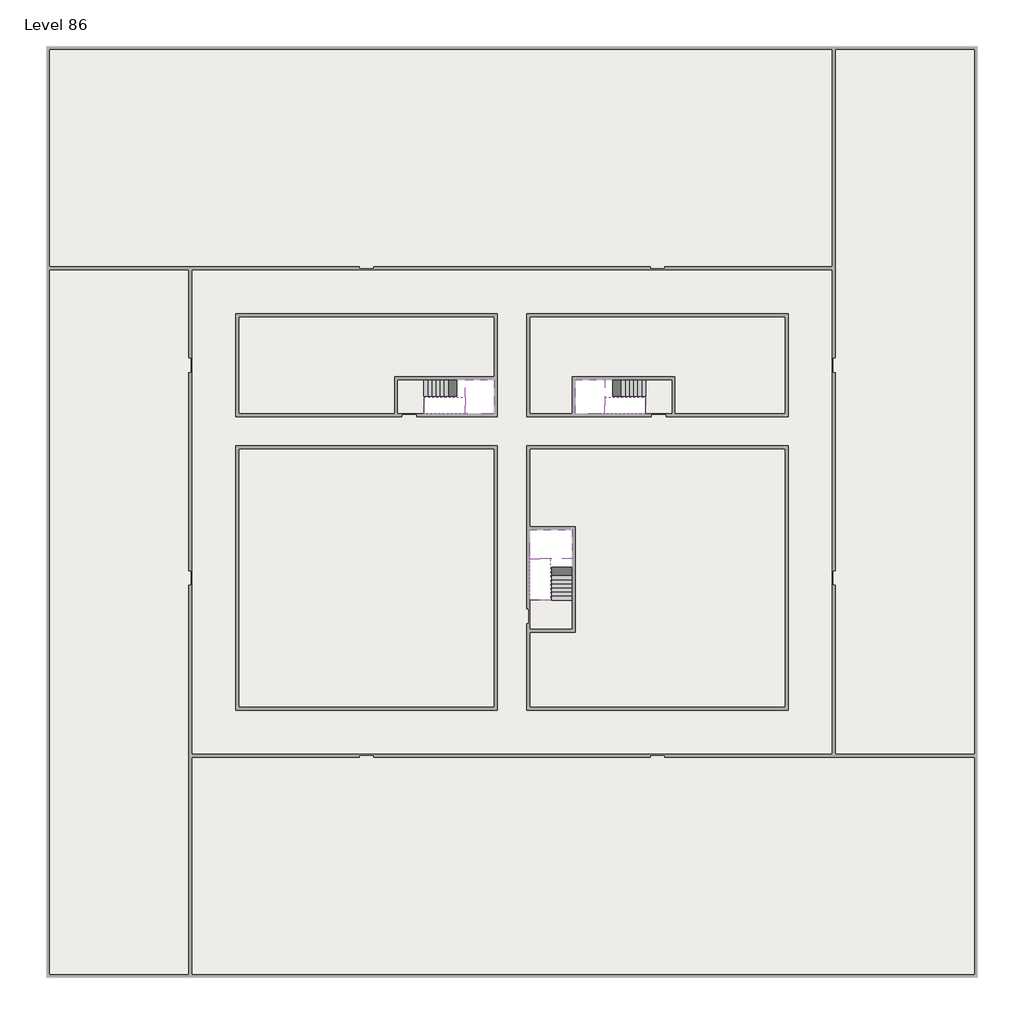
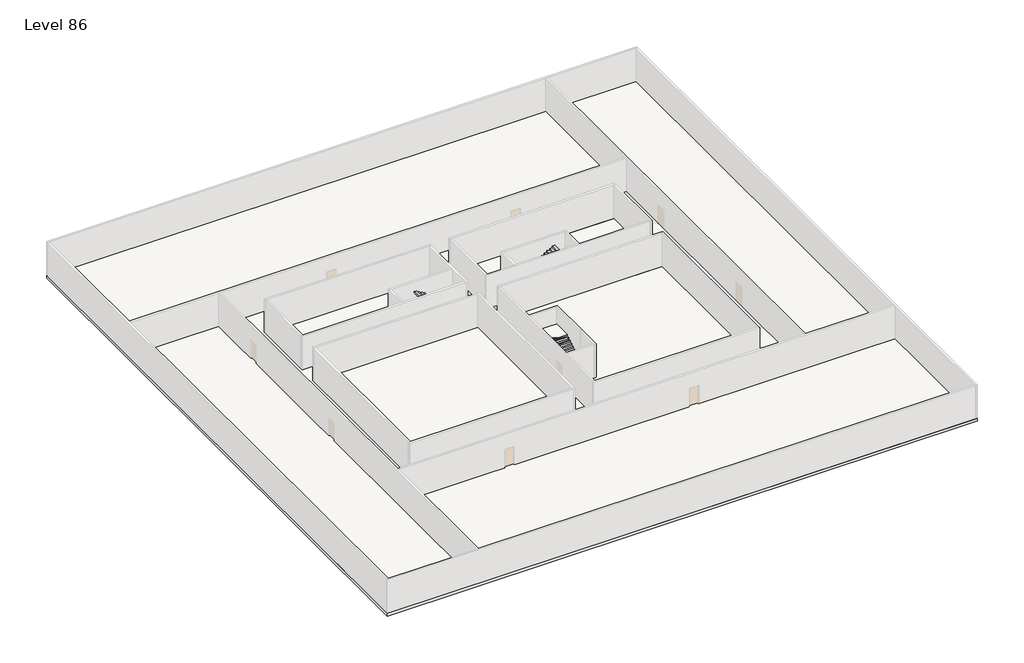
# One storey, part 2 of 2: 6 slabs, 6 stair flights.
"""IFC4 building model written with IfcOpenShell, lengths in millimetres."""

from ifc_helpers import new_model, si_unit, frame, origin, place, context, project, spatial, polyline, outline, extrude, faceted_brep, element, save

model = new_model("IFC4")

# Units and contexts
model_context = context("Model", 3, world=origin())
ifc_project = project(units=[si_unit("LENGTHUNIT", "METRE", prefix="MILLI")], contexts=[model_context])

# Site, building, storey
site = spatial("IfcSite", under=ifc_project)
building = spatial("IfcBuilding", under=site)
storey = spatial("IfcBuildingStorey", under=building, Name="Level 86", Elevation=323000.0)

# Slabs
placement = place(None, origin())
element("IfcSlab", 1, at=placement, inside=storey, context=model_context, shape_type="SweptSolid", body=[
    extrude(outline(polyline([(55890.1058784, -5518.09644), (55890.1058784, -68918.09644), (-7509.8941216, -68918.09644), (-7509.8941216, -5518.09644), (55890.1058784, -5518.09644)]), holes=[polyline([(22990.1058784, -23918.09644), (5590.1058784, -23918.09644), (5590.1058784, -30518.09644), (22990.1058784, -30518.09644), (22990.1058784, -23918.09644)]), polyline([(42990.1058784, -23918.09644), (25390.1058784, -23918.09644), (25390.1058784, -30518.09644), (42990.1058784, -30518.09644), (42990.1058784, -23918.09644)]), polyline([(25390.1058784, -50518.09644), (42790.1058784, -50518.09644), (42790.1058784, -32918.09644), (25390.1058784, -32918.09644), (25390.1058784, -50518.09644)]), polyline([(22990.1058784, -32918.09644), (5590.1058784, -32918.09644), (5590.1058784, -50518.09644), (22990.1058784, -50518.09644), (22990.1058784, -32918.09644)])]), frame((0.0, 0.0, 322700.0), z_axis=(0.0, 0.0, 1.0), x_axis=(1.0, 0.0, 0.0)), (0.0, 0.0, 1.0), 300.0),
])
element("IfcSlab", 2, at=placement, inside=storey, context=model_context, shape_type="SweptSolid", body=[
    extrude(outline(polyline([(22990.1058784, -23918.09644), (22990.1058784, -28018.09644), (16190.1058784, -28018.09644), (16190.1058784, -30518.09644), (5590.1058784, -30518.09644), (5590.1058784, -23918.09644), (22990.1058784, -23918.09644)])), frame((0.0, 0.0, 322700.0), z_axis=(0.0, 0.0, 1.0), x_axis=(1.0, 0.0, 0.0)), (0.0, 0.0, 1.0), 300.0),
    extrude(outline(polyline([(42790.1058784, -23918.09644), (42790.1058784, -30518.09644), (35290.1058784, -30518.09644), (35290.1058784, -28018.09644), (28490.1058784, -28018.09644), (28490.1058784, -30518.09644), (25390.1058784, -30518.09644), (25390.1058784, -23918.09644), (42790.1058784, -23918.09644)])), frame((0.0, 0.0, 322700.0), z_axis=(0.0, 0.0, 1.0), x_axis=(1.0, 0.0, 0.0)), (0.0, 0.0, 1.0), 300.0),
    extrude(outline(polyline([(22990.1058784, -32918.09644), (22990.1058784, -50518.09644), (5590.1058784, -50518.09644), (5590.1058784, -32918.09644), (22990.1058784, -32918.09644)])), frame((0.0, 0.0, 322700.0), z_axis=(0.0, 0.0, 1.0), x_axis=(1.0, 0.0, 0.0)), (0.0, 0.0, 1.0), 300.0),
    extrude(outline(polyline([(25390.1058784, -38218.09644), (25390.1058784, -32918.09644), (42790.1058784, -32918.09644), (42790.1058784, -50518.09644), (25390.1058784, -50518.09644), (25390.1058784, -45418.09644), (28490.1058784, -45418.09644), (28490.1058784, -38218.09644), (25390.1058784, -38218.09644)])), frame((0.0, 0.0, 322700.0), z_axis=(0.0, 0.0, 1.0), x_axis=(1.0, 0.0, 0.0)), (0.0, 0.0, 1.0), 300.0),
])
element("IfcSlab", 3, at=placement, inside=storey, context=model_context, shape_type="Brep", body=[
    faceted_brep([(26890.1058784, -40418.09644, 324900.0), (28290.1058784, -40418.09644, 324900.0), (28290.1058784, -40338.7100038, 324900.0), (28290.1058784, -38418.09644, 324900.0), (25390.1058784, -38418.09644, 324900.0), (25390.1058784, -40217.4828763, 324900.0), (25390.1058784, -40418.09644, 324900.0), (26790.1058784, -40418.09644, 324900.0), (26890.1058784, -40418.09644, 324600.0), (26890.1058784, -40418.09644, 324551.0278478), (28290.1058784, -40418.09644, 324551.0278478), (28290.1058784, -40418.09644, 324727.2727273), (28290.1058784, -40338.7100038, 324600.0), (28290.1058784, -38418.09644, 324600.0), (25390.1058784, -38418.09644, 324600.0), (25390.1058784, -40217.4828763, 324600.0), (25390.1058784, -40418.09644, 324723.7551205), (26790.1058784, -40418.09644, 324723.7551205), (26790.1058784, -40418.09644, 324600.0), (26790.1058784, -40217.4828763, 324600.0), (26890.1058784, -40338.7100038, 324600.0)], [[[0, 1, 2, 3, 4, 5, 6, 7]], [[1, 0, 8, 9, 10, 11]], [[1, 11, 10, 12, 13, 3, 2]], [[4, 3, 13, 14]], [[4, 14, 15, 16, 6, 5]], [[7, 6, 16, 17]], [[0, 7, 17, 18, 8]], [[18, 19, 15, 14, 13, 12, 20, 8]], [[19, 18, 17]], [[20, 12, 10, 9]], [[8, 20, 9]], [[15, 19, 17, 16]]]),
])
element("IfcSlab", 4, at=placement, inside=storey, context=model_context, shape_type="Brep", body=[
    faceted_brep([(20990.1058784, -28218.09644, 324900.0), (20990.1058784, -29318.09644, 324900.0), (20990.1058784, -29418.09644, 324900.0), (20990.1058784, -30518.09644, 324900.0), (21190.7194421, -30518.09644, 324900.0), (22990.1058784, -30518.09644, 324900.0), (22990.1058784, -28218.09644, 324900.0), (21069.4923146, -28218.09644, 324900.0), (20990.1058784, -28218.09644, 324727.2727273), (20990.1058784, -28218.09644, 324551.0278478), (20990.1058784, -29318.09644, 324551.0278478), (20990.1058784, -29318.09644, 324600.0), (20990.1058784, -29418.09644, 324600.0), (20990.1058784, -29418.09644, 324723.7551205), (20990.1058784, -30518.09644, 324723.7551205), (21190.7194421, -30518.09644, 324600.0), (22990.1058784, -30518.09644, 324600.0), (22990.1058784, -28218.09644, 324600.0), (21069.4923146, -28218.09644, 324600.0), (21190.7194421, -29418.09644, 324600.0), (21069.4923146, -29318.09644, 324600.0)], [[[0, 1, 2, 3, 4, 5, 6, 7]], [[1, 0, 8, 9, 10, 11]], [[2, 1, 11, 12, 13]], [[3, 2, 13, 14]], [[3, 14, 15, 16, 5, 4]], [[6, 5, 16, 17]], [[9, 8, 0, 7, 6, 17, 18]], [[19, 12, 11, 20, 18, 17, 16, 15]], [[12, 19, 13]], [[18, 20, 10, 9]], [[20, 11, 10]], [[19, 15, 14, 13]]]),
])
element("IfcSlab", 5, at=placement, inside=storey, context=model_context, shape_type="Brep", body=[
    faceted_brep([(30490.1058784, -29318.09644, 324900.0), (30490.1058784, -28218.09644, 324900.0), (30410.7194421, -28218.09644, 324900.0), (28490.1058784, -28218.09644, 324900.0), (28490.1058784, -30518.09644, 324900.0), (30289.4923146, -30518.09644, 324900.0), (30490.1058784, -30518.09644, 324900.0), (30490.1058784, -29418.09644, 324900.0), (30490.1058784, -29318.09644, 324600.0), (30490.1058784, -29318.09644, 324551.0278478), (30490.1058784, -28218.09644, 324551.0278478), (30490.1058784, -28218.09644, 324727.2727273), (30490.1058784, -29418.09644, 324723.7551205), (30490.1058784, -29418.09644, 324600.0), (30490.1058784, -30518.09644, 324723.7551205), (28490.1058784, -30518.09644, 324600.0), (30289.4923146, -30518.09644, 324600.0), (28490.1058784, -28218.09644, 324600.0), (30410.7194421, -28218.09644, 324600.0), (30289.4923146, -29418.09644, 324600.0), (30410.7194421, -29318.09644, 324600.0)], [[[0, 1, 2, 3, 4, 5, 6, 7]], [[1, 0, 8, 9, 10, 11]], [[0, 7, 12, 13, 8]], [[7, 6, 14, 12]], [[4, 15, 16, 14, 6, 5]], [[4, 3, 17, 15]], [[1, 11, 10, 18, 17, 3, 2]], [[13, 19, 16, 15, 17, 18, 20, 8]], [[20, 18, 10, 9]], [[8, 20, 9]], [[16, 19, 12, 14]], [[19, 13, 12]]]),
])
element("IfcSlab", 6, at=placement, inside=storey, context=model_context, shape_type="SweptSolid", body=[
    extrude(outline(polyline([(35090.1058784, -28218.09644), (35090.1058784, -30518.09644), (33290.1058784, -30518.09644), (33290.1058784, -28218.09644), (35090.1058784, -28218.09644)])), frame((0.0, 0.0, 322700.0), z_axis=(0.0, 0.0, 1.0), x_axis=(1.0, 0.0, 0.0)), (0.0, 0.0, 1.0), 300.0),
    extrude(outline(polyline([(18190.1058784, -28218.09644), (18190.1058784, -30518.09644), (16390.1058784, -30518.09644), (16390.1058784, -28218.09644), (18190.1058784, -28218.09644)])), frame((0.0, 0.0, 322700.0), z_axis=(0.0, 0.0, 1.0), x_axis=(1.0, 0.0, 0.0)), (0.0, 0.0, 1.0), 300.0),
    extrude(outline(polyline([(28290.1058784, -43218.09644), (28290.1058784, -45218.09644), (25390.1058784, -45218.09644), (25390.1058784, -43218.09644), (28290.1058784, -43218.09644)])), frame((0.0, 0.0, 322700.0), z_axis=(0.0, 0.0, 1.0), x_axis=(1.0, 0.0, 0.0)), (0.0, 0.0, 1.0), 300.0),
])

# Stair flights
element("IfcStairFlight", 7, at=placement, inside=storey, context=model_context, shape_type="Brep", body=[
    faceted_brep([(26890.1058784, -42938.09644, 323172.7272727), (26890.1058784, -43218.09644, 323172.7272727), (28290.1058784, -43218.09644, 323172.7272727), (28290.1058784, -42938.09644, 323172.7272727), (26890.1058784, -42938.09644, 323000.0), (26890.1058784, -43218.09644, 323000.0), (28290.1058784, -43218.09644, 323000.0), (28290.1058784, -42938.09644, 323000.0), (26890.1058784, -42658.09644, 323345.4545455), (26890.1058784, -42938.09644, 323345.4545455), (28290.1058784, -42938.09644, 323345.4545455), (28290.1058784, -42658.09644, 323345.4545455), (26890.1058784, -42658.09644, 323169.209666), (26890.1058784, -42932.3942143, 323000.0), (28290.1058784, -42932.3942143, 323000.0), (28290.1058784, -42658.09644, 323169.209666), (26890.1058784, -42378.09644, 323518.1818182), (26890.1058784, -42658.09644, 323518.1818182), (28290.1058784, -42658.09644, 323518.1818182), (28290.1058784, -42378.09644, 323518.1818182), (26890.1058784, -42378.09644, 323341.9369387), (28290.1058784, -42378.09644, 323341.9369387), (26890.1058784, -42098.09644, 323690.9090909), (26890.1058784, -42378.09644, 323690.9090909), (28290.1058784, -42378.09644, 323690.9090909), (28290.1058784, -42098.09644, 323690.9090909), (26890.1058784, -42098.09644, 323514.6642114), (28290.1058784, -42098.09644, 323514.6642114), (26890.1058784, -41818.09644, 323863.6363636), (26890.1058784, -42098.09644, 323863.6363636), (28290.1058784, -42098.09644, 323863.6363636), (28290.1058784, -41818.09644, 323863.6363636), (26890.1058784, -41818.09644, 323687.3914841), (28290.1058784, -41818.09644, 323687.3914841), (26890.1058784, -41538.09644, 324036.3636364), (26890.1058784, -41818.09644, 324036.3636364), (28290.1058784, -41818.09644, 324036.3636364), (28290.1058784, -41538.09644, 324036.3636364), (26890.1058784, -41538.09644, 323860.1187569), (28290.1058784, -41538.09644, 323860.1187569), (26890.1058784, -41258.09644, 324209.0909091), (26890.1058784, -41538.09644, 324209.0909091), (28290.1058784, -41538.09644, 324209.0909091), (28290.1058784, -41258.09644, 324209.0909091), (26890.1058784, -41258.09644, 324032.8460296), (28290.1058784, -41258.09644, 324032.8460296), (26890.1058784, -40978.09644, 324381.8181818), (26890.1058784, -41258.09644, 324381.8181818), (28290.1058784, -41258.09644, 324381.8181818), (28290.1058784, -40978.09644, 324381.8181818), (26890.1058784, -40978.09644, 324205.5733023), (28290.1058784, -40978.09644, 324205.5733023), (26890.1058784, -40698.09644, 324554.5454545), (26890.1058784, -40978.09644, 324554.5454545), (28290.1058784, -40978.09644, 324554.5454545), (28290.1058784, -40698.09644, 324554.5454545), (26890.1058784, -40698.09644, 324378.3005751), (28290.1058784, -40698.09644, 324378.3005751), (26890.1058784, -40418.09644, 324727.2727273), (26890.1058784, -40698.09644, 324727.2727273), (28290.1058784, -40698.09644, 324727.2727273), (28290.1058784, -40418.09644, 324727.2727273), (26890.1058784, -40418.09644, 324600.0), (26890.1058784, -40418.09644, 324551.0278478), (28290.1058784, -40418.09644, 324551.0278478)], [[[0, 1, 2, 3]], [[1, 0, 4, 5]], [[2, 1, 5, 6]], [[3, 2, 6, 7]], [[8, 9, 10, 11]], [[4, 0, 9, 8, 12, 13]], [[0, 3, 10, 9]], [[3, 7, 14, 15, 11, 10]], [[16, 17, 18, 19]], [[17, 16, 20, 12, 8]], [[8, 11, 18, 17]], [[19, 18, 11, 15, 21]], [[22, 23, 24, 25]], [[23, 22, 26, 20, 16]], [[16, 19, 24, 23]], [[25, 24, 19, 21, 27]], [[28, 29, 30, 31]], [[29, 28, 32, 26, 22]], [[22, 25, 30, 29]], [[31, 30, 25, 27, 33]], [[34, 35, 36, 37]], [[35, 34, 38, 32, 28]], [[28, 31, 36, 35]], [[37, 36, 31, 33, 39]], [[40, 41, 42, 43]], [[41, 40, 44, 38, 34]], [[34, 37, 42, 41]], [[43, 42, 37, 39, 45]], [[46, 47, 48, 49]], [[47, 46, 50, 44, 40]], [[40, 43, 48, 47]], [[49, 48, 43, 45, 51]], [[52, 53, 54, 55]], [[53, 52, 56, 50, 46]], [[46, 49, 54, 53]], [[55, 54, 49, 51, 57]], [[58, 59, 60, 61]], [[59, 58, 62, 63, 56, 52]], [[52, 55, 60, 59]], [[61, 60, 55, 57, 64]], [[58, 61, 64, 63, 62]], [[5, 4, 13, 14, 7, 6]], [[14, 13, 12, 20, 26, 32, 38, 44, 50, 56, 63, 64, 57, 51, 45, 39, 33, 27, 21, 15]]]),
])
element("IfcStairFlight", 8, at=placement, inside=storey, context=model_context, shape_type="Brep", body=[
    faceted_brep([(26790.1058784, -40698.09644, 325072.7272727), (26790.1058784, -40418.09644, 325072.7272727), (25390.1058784, -40418.09644, 325072.7272727), (25390.1058784, -40698.09644, 325072.7272727), (26790.1058784, -40698.09644, 324896.4823932), (26790.1058784, -40418.09644, 324723.7551205), (25390.1058784, -40418.09644, 324723.7551205), (25390.1058784, -40418.09644, 324900.0), (25390.1058784, -40698.09644, 324896.4823932), (26790.1058784, -40978.09644, 325245.4545455), (26790.1058784, -40698.09644, 325245.4545455), (25390.1058784, -40698.09644, 325245.4545455), (25390.1058784, -40978.09644, 325245.4545455), (26790.1058784, -40978.09644, 325069.209666), (25390.1058784, -40978.09644, 325069.209666), (26790.1058784, -41258.09644, 325418.1818182), (26790.1058784, -40978.09644, 325418.1818182), (25390.1058784, -40978.09644, 325418.1818182), (25390.1058784, -41258.09644, 325418.1818182), (26790.1058784, -41258.09644, 325241.9369387), (25390.1058784, -41258.09644, 325241.9369387), (26790.1058784, -41538.09644, 325590.9090909), (26790.1058784, -41258.09644, 325590.9090909), (25390.1058784, -41258.09644, 325590.9090909), (25390.1058784, -41538.09644, 325590.9090909), (26790.1058784, -41538.09644, 325414.6642114), (25390.1058784, -41538.09644, 325414.6642114), (26790.1058784, -41818.09644, 325763.6363636), (26790.1058784, -41538.09644, 325763.6363636), (25390.1058784, -41538.09644, 325763.6363636), (25390.1058784, -41818.09644, 325763.6363636), (26790.1058784, -41818.09644, 325587.3914841), (25390.1058784, -41818.09644, 325587.3914841), (26790.1058784, -42098.09644, 325936.3636364), (26790.1058784, -41818.09644, 325936.3636364), (25390.1058784, -41818.09644, 325936.3636364), (25390.1058784, -42098.09644, 325936.3636364), (26790.1058784, -42098.09644, 325760.1187569), (25390.1058784, -42098.09644, 325760.1187569), (26790.1058784, -42378.09644, 326109.0909091), (26790.1058784, -42098.09644, 326109.0909091), (25390.1058784, -42098.09644, 326109.0909091), (25390.1058784, -42378.09644, 326109.0909091), (26790.1058784, -42378.09644, 325932.8460296), (25390.1058784, -42378.09644, 325932.8460296), (26790.1058784, -42658.09644, 326281.8181818), (26790.1058784, -42378.09644, 326281.8181818), (25390.1058784, -42378.09644, 326281.8181818), (25390.1058784, -42658.09644, 326281.8181818), (26790.1058784, -42658.09644, 326105.5733023), (25390.1058784, -42658.09644, 326105.5733023), (26790.1058784, -42938.09644, 326454.5454545), (26790.1058784, -42658.09644, 326454.5454545), (25390.1058784, -42658.09644, 326454.5454545), (25390.1058784, -42938.09644, 326454.5454545), (26790.1058784, -42938.09644, 326278.3005751), (25390.1058784, -42938.09644, 326278.3005751), (26790.1058784, -43218.09644, 326627.2727273), (26790.1058784, -42938.09644, 326627.2727273), (25390.1058784, -42938.09644, 326627.2727273), (25390.1058784, -43218.09644, 326627.2727273), (26790.1058784, -43218.09644, 326451.0278478), (25390.1058784, -43218.09644, 326451.0278478)], [[[0, 1, 2, 3]], [[1, 0, 4, 5]], [[2, 1, 5, 6, 7]], [[3, 2, 7, 6, 8]], [[9, 10, 11, 12]], [[10, 9, 13, 4, 0]], [[11, 10, 0, 3]], [[12, 11, 3, 8, 14]], [[15, 16, 17, 18]], [[16, 15, 19, 13, 9]], [[17, 16, 9, 12]], [[18, 17, 12, 14, 20]], [[21, 22, 23, 24]], [[22, 21, 25, 19, 15]], [[23, 22, 15, 18]], [[24, 23, 18, 20, 26]], [[27, 28, 29, 30]], [[28, 27, 31, 25, 21]], [[29, 28, 21, 24]], [[30, 29, 24, 26, 32]], [[33, 34, 35, 36]], [[34, 33, 37, 31, 27]], [[35, 34, 27, 30]], [[36, 35, 30, 32, 38]], [[39, 40, 41, 42]], [[40, 39, 43, 37, 33]], [[41, 40, 33, 36]], [[42, 41, 36, 38, 44]], [[45, 46, 47, 48]], [[46, 45, 49, 43, 39]], [[47, 46, 39, 42]], [[48, 47, 42, 44, 50]], [[51, 52, 53, 54]], [[52, 51, 55, 49, 45]], [[53, 52, 45, 48]], [[54, 53, 48, 50, 56]], [[57, 58, 59, 60]], [[58, 57, 61, 55, 51]], [[59, 58, 51, 54]], [[60, 59, 54, 56, 62]], [[57, 60, 62, 61]], [[5, 4, 13, 19, 25, 31, 37, 43, 49, 55, 61, 62, 56, 50, 44, 38, 32, 26, 20, 14, 8, 6]]]),
])
element("IfcStairFlight", 9, at=placement, inside=storey, context=model_context, shape_type="Brep", body=[
    faceted_brep([(18470.1058784, -28218.09644, 323172.7272727), (18190.1058784, -28218.09644, 323172.7272727), (18190.1058784, -29318.09644, 323172.7272727), (18470.1058784, -29318.09644, 323172.7272727), (18470.1058784, -28218.09644, 323000.0), (18190.1058784, -28218.09644, 323000.0), (18190.1058784, -29318.09644, 323000.0), (18470.1058784, -29318.09644, 323000.0), (18750.1058784, -28218.09644, 323345.4545455), (18470.1058784, -28218.09644, 323345.4545455), (18470.1058784, -29318.09644, 323345.4545455), (18750.1058784, -29318.09644, 323345.4545455), (18750.1058784, -28218.09644, 323169.209666), (18475.8081041, -28218.09644, 323000.0), (18475.8081041, -29318.09644, 323000.0), (18750.1058784, -29318.09644, 323169.209666), (19030.1058784, -28218.09644, 323518.1818182), (18750.1058784, -28218.09644, 323518.1818182), (18750.1058784, -29318.09644, 323518.1818182), (19030.1058784, -29318.09644, 323518.1818182), (19030.1058784, -28218.09644, 323341.9369387), (19030.1058784, -29318.09644, 323341.9369387), (19310.1058784, -28218.09644, 323690.9090909), (19030.1058784, -28218.09644, 323690.9090909), (19030.1058784, -29318.09644, 323690.9090909), (19310.1058784, -29318.09644, 323690.9090909), (19310.1058784, -28218.09644, 323514.6642114), (19310.1058784, -29318.09644, 323514.6642114), (19590.1058784, -28218.09644, 323863.6363636), (19310.1058784, -28218.09644, 323863.6363636), (19310.1058784, -29318.09644, 323863.6363636), (19590.1058784, -29318.09644, 323863.6363636), (19590.1058784, -28218.09644, 323687.3914841), (19590.1058784, -29318.09644, 323687.3914841), (19870.1058784, -28218.09644, 324036.3636364), (19590.1058784, -28218.09644, 324036.3636364), (19590.1058784, -29318.09644, 324036.3636364), (19870.1058784, -29318.09644, 324036.3636364), (19870.1058784, -28218.09644, 323860.1187569), (19870.1058784, -29318.09644, 323860.1187569), (20150.1058784, -28218.09644, 324209.0909091), (19870.1058784, -28218.09644, 324209.0909091), (19870.1058784, -29318.09644, 324209.0909091), (20150.1058784, -29318.09644, 324209.0909091), (20150.1058784, -28218.09644, 324032.8460296), (20150.1058784, -29318.09644, 324032.8460296), (20430.1058784, -28218.09644, 324381.8181818), (20150.1058784, -28218.09644, 324381.8181818), (20150.1058784, -29318.09644, 324381.8181818), (20430.1058784, -29318.09644, 324381.8181818), (20430.1058784, -28218.09644, 324205.5733023), (20430.1058784, -29318.09644, 324205.5733023), (20710.1058784, -28218.09644, 324554.5454545), (20430.1058784, -28218.09644, 324554.5454545), (20430.1058784, -29318.09644, 324554.5454545), (20710.1058784, -29318.09644, 324554.5454545), (20710.1058784, -28218.09644, 324378.3005751), (20710.1058784, -29318.09644, 324378.3005751), (20990.1058784, -28218.09644, 324727.2727273), (20710.1058784, -28218.09644, 324727.2727273), (20710.1058784, -29318.09644, 324727.2727273), (20990.1058784, -29318.09644, 324727.2727273), (20990.1058784, -28218.09644, 324551.0278478), (20990.1058784, -29318.09644, 324551.0278478), (20990.1058784, -29318.09644, 324600.0)], [[[0, 1, 2, 3]], [[1, 0, 4, 5]], [[2, 1, 5, 6]], [[3, 2, 6, 7]], [[8, 9, 10, 11]], [[4, 0, 9, 8, 12, 13]], [[0, 3, 10, 9]], [[3, 7, 14, 15, 11, 10]], [[16, 17, 18, 19]], [[17, 16, 20, 12, 8]], [[8, 11, 18, 17]], [[19, 18, 11, 15, 21]], [[22, 23, 24, 25]], [[23, 22, 26, 20, 16]], [[16, 19, 24, 23]], [[25, 24, 19, 21, 27]], [[28, 29, 30, 31]], [[29, 28, 32, 26, 22]], [[22, 25, 30, 29]], [[31, 30, 25, 27, 33]], [[34, 35, 36, 37]], [[35, 34, 38, 32, 28]], [[28, 31, 36, 35]], [[37, 36, 31, 33, 39]], [[40, 41, 42, 43]], [[41, 40, 44, 38, 34]], [[34, 37, 42, 41]], [[43, 42, 37, 39, 45]], [[46, 47, 48, 49]], [[47, 46, 50, 44, 40]], [[40, 43, 48, 47]], [[49, 48, 43, 45, 51]], [[52, 53, 54, 55]], [[53, 52, 56, 50, 46]], [[46, 49, 54, 53]], [[55, 54, 49, 51, 57]], [[58, 59, 60, 61]], [[59, 58, 62, 56, 52]], [[52, 55, 60, 59]], [[61, 60, 55, 57, 63, 64]], [[58, 61, 64, 63, 62]], [[5, 4, 13, 14, 7, 6]], [[14, 13, 12, 20, 26, 32, 38, 44, 50, 56, 62, 63, 57, 51, 45, 39, 33, 27, 21, 15]]]),
])
element("IfcStairFlight", 10, at=placement, inside=storey, context=model_context, shape_type="Brep", body=[
    faceted_brep([(20710.1058784, -30518.09644, 325072.7272727), (20990.1058784, -30518.09644, 325072.7272727), (20990.1058784, -29418.09644, 325072.7272727), (20710.1058784, -29418.09644, 325072.7272727), (20710.1058784, -30518.09644, 324896.4823932), (20990.1058784, -30518.09644, 324723.7551205), (20990.1058784, -30518.09644, 324900.0), (20990.1058784, -29418.09644, 324723.7551205), (20710.1058784, -29418.09644, 324896.4823932), (20430.1058784, -30518.09644, 325245.4545455), (20710.1058784, -30518.09644, 325245.4545455), (20710.1058784, -29418.09644, 325245.4545455), (20430.1058784, -29418.09644, 325245.4545455), (20430.1058784, -30518.09644, 325069.209666), (20430.1058784, -29418.09644, 325069.209666), (20150.1058784, -30518.09644, 325418.1818182), (20430.1058784, -30518.09644, 325418.1818182), (20430.1058784, -29418.09644, 325418.1818182), (20150.1058784, -29418.09644, 325418.1818182), (20150.1058784, -30518.09644, 325241.9369387), (20150.1058784, -29418.09644, 325241.9369387), (19870.1058784, -30518.09644, 325590.9090909), (20150.1058784, -30518.09644, 325590.9090909), (20150.1058784, -29418.09644, 325590.9090909), (19870.1058784, -29418.09644, 325590.9090909), (19870.1058784, -30518.09644, 325414.6642114), (19870.1058784, -29418.09644, 325414.6642114), (19590.1058784, -30518.09644, 325763.6363636), (19870.1058784, -30518.09644, 325763.6363636), (19870.1058784, -29418.09644, 325763.6363636), (19590.1058784, -29418.09644, 325763.6363636), (19590.1058784, -30518.09644, 325587.3914841), (19590.1058784, -29418.09644, 325587.3914841), (19310.1058784, -30518.09644, 325936.3636364), (19590.1058784, -30518.09644, 325936.3636364), (19590.1058784, -29418.09644, 325936.3636364), (19310.1058784, -29418.09644, 325936.3636364), (19310.1058784, -30518.09644, 325760.1187569), (19310.1058784, -29418.09644, 325760.1187569), (19030.1058784, -30518.09644, 326109.0909091), (19310.1058784, -30518.09644, 326109.0909091), (19310.1058784, -29418.09644, 326109.0909091), (19030.1058784, -29418.09644, 326109.0909091), (19030.1058784, -30518.09644, 325932.8460296), (19030.1058784, -29418.09644, 325932.8460296), (18750.1058784, -30518.09644, 326281.8181818), (19030.1058784, -30518.09644, 326281.8181818), (19030.1058784, -29418.09644, 326281.8181818), (18750.1058784, -29418.09644, 326281.8181818), (18750.1058784, -30518.09644, 326105.5733023), (18750.1058784, -29418.09644, 326105.5733023), (18470.1058784, -30518.09644, 326454.5454545), (18750.1058784, -30518.09644, 326454.5454545), (18750.1058784, -29418.09644, 326454.5454545), (18470.1058784, -29418.09644, 326454.5454545), (18470.1058784, -30518.09644, 326278.3005751), (18470.1058784, -29418.09644, 326278.3005751), (18190.1058784, -30518.09644, 326627.2727273), (18470.1058784, -30518.09644, 326627.2727273), (18470.1058784, -29418.09644, 326627.2727273), (18190.1058784, -29418.09644, 326627.2727273), (18190.1058784, -30518.09644, 326451.0278478), (18190.1058784, -29418.09644, 326451.0278478)], [[[0, 1, 2, 3]], [[1, 0, 4, 5, 6]], [[2, 1, 6, 5, 7]], [[3, 2, 7, 8]], [[9, 10, 11, 12]], [[10, 9, 13, 4, 0]], [[11, 10, 0, 3]], [[12, 11, 3, 8, 14]], [[15, 16, 17, 18]], [[16, 15, 19, 13, 9]], [[17, 16, 9, 12]], [[18, 17, 12, 14, 20]], [[21, 22, 23, 24]], [[22, 21, 25, 19, 15]], [[23, 22, 15, 18]], [[24, 23, 18, 20, 26]], [[27, 28, 29, 30]], [[28, 27, 31, 25, 21]], [[29, 28, 21, 24]], [[30, 29, 24, 26, 32]], [[33, 34, 35, 36]], [[34, 33, 37, 31, 27]], [[35, 34, 27, 30]], [[36, 35, 30, 32, 38]], [[39, 40, 41, 42]], [[40, 39, 43, 37, 33]], [[41, 40, 33, 36]], [[42, 41, 36, 38, 44]], [[45, 46, 47, 48]], [[46, 45, 49, 43, 39]], [[47, 46, 39, 42]], [[48, 47, 42, 44, 50]], [[51, 52, 53, 54]], [[52, 51, 55, 49, 45]], [[53, 52, 45, 48]], [[54, 53, 48, 50, 56]], [[57, 58, 59, 60]], [[58, 57, 61, 55, 51]], [[59, 58, 51, 54]], [[60, 59, 54, 56, 62]], [[57, 60, 62, 61]], [[5, 4, 13, 19, 25, 31, 37, 43, 49, 55, 61, 62, 56, 50, 44, 38, 32, 26, 20, 14, 8, 7]]]),
])
element("IfcStairFlight", 11, at=placement, inside=storey, context=model_context, shape_type="Brep", body=[
    faceted_brep([(33010.1058784, -29318.09644, 323172.7272727), (33290.1058784, -29318.09644, 323172.7272727), (33290.1058784, -28218.09644, 323172.7272727), (33010.1058784, -28218.09644, 323172.7272727), (33290.1058784, -28218.09644, 323000.0), (33010.1058784, -28218.09644, 323000.0), (33290.1058784, -29318.09644, 323000.0), (33010.1058784, -29318.09644, 323000.0), (32730.1058784, -29318.09644, 323345.4545455), (33010.1058784, -29318.09644, 323345.4545455), (33010.1058784, -28218.09644, 323345.4545455), (32730.1058784, -28218.09644, 323345.4545455), (33004.4036527, -28218.09644, 323000.0), (32730.1058784, -28218.09644, 323169.209666), (32730.1058784, -29318.09644, 323169.209666), (33004.4036527, -29318.09644, 323000.0), (32450.1058784, -29318.09644, 323518.1818182), (32730.1058784, -29318.09644, 323518.1818182), (32730.1058784, -28218.09644, 323518.1818182), (32450.1058784, -28218.09644, 323518.1818182), (32450.1058784, -28218.09644, 323341.9369387), (32450.1058784, -29318.09644, 323341.9369387), (32170.1058784, -29318.09644, 323690.9090909), (32450.1058784, -29318.09644, 323690.9090909), (32450.1058784, -28218.09644, 323690.9090909), (32170.1058784, -28218.09644, 323690.9090909), (32170.1058784, -28218.09644, 323514.6642114), (32170.1058784, -29318.09644, 323514.6642114), (31890.1058784, -29318.09644, 323863.6363636), (32170.1058784, -29318.09644, 323863.6363636), (32170.1058784, -28218.09644, 323863.6363636), (31890.1058784, -28218.09644, 323863.6363636), (31890.1058784, -28218.09644, 323687.3914841), (31890.1058784, -29318.09644, 323687.3914841), (31610.1058784, -29318.09644, 324036.3636364), (31890.1058784, -29318.09644, 324036.3636364), (31890.1058784, -28218.09644, 324036.3636364), (31610.1058784, -28218.09644, 324036.3636364), (31610.1058784, -28218.09644, 323860.1187569), (31610.1058784, -29318.09644, 323860.1187569), (31330.1058784, -29318.09644, 324209.0909091), (31610.1058784, -29318.09644, 324209.0909091), (31610.1058784, -28218.09644, 324209.0909091), (31330.1058784, -28218.09644, 324209.0909091), (31330.1058784, -28218.09644, 324032.8460296), (31330.1058784, -29318.09644, 324032.8460296), (31050.1058784, -29318.09644, 324381.8181818), (31330.1058784, -29318.09644, 324381.8181818), (31330.1058784, -28218.09644, 324381.8181818), (31050.1058784, -28218.09644, 324381.8181818), (31050.1058784, -28218.09644, 324205.5733023), (31050.1058784, -29318.09644, 324205.5733023), (30770.1058784, -29318.09644, 324554.5454545), (31050.1058784, -29318.09644, 324554.5454545), (31050.1058784, -28218.09644, 324554.5454545), (30770.1058784, -28218.09644, 324554.5454545), (30770.1058784, -28218.09644, 324378.3005751), (30770.1058784, -29318.09644, 324378.3005751), (30490.1058784, -29318.09644, 324727.2727273), (30770.1058784, -29318.09644, 324727.2727273), (30770.1058784, -28218.09644, 324727.2727273), (30490.1058784, -28218.09644, 324727.2727273), (30490.1058784, -28218.09644, 324551.0278478), (30490.1058784, -29318.09644, 324600.0), (30490.1058784, -29318.09644, 324551.0278478)], [[[0, 1, 2, 3]], [[3, 2, 4, 5]], [[2, 1, 6, 4]], [[1, 0, 7, 6]], [[8, 9, 10, 11]], [[3, 5, 12, 13, 11, 10]], [[0, 3, 10, 9]], [[7, 0, 9, 8, 14, 15]], [[16, 17, 18, 19]], [[19, 18, 11, 13, 20]], [[8, 11, 18, 17]], [[17, 16, 21, 14, 8]], [[22, 23, 24, 25]], [[25, 24, 19, 20, 26]], [[16, 19, 24, 23]], [[23, 22, 27, 21, 16]], [[28, 29, 30, 31]], [[31, 30, 25, 26, 32]], [[22, 25, 30, 29]], [[29, 28, 33, 27, 22]], [[34, 35, 36, 37]], [[37, 36, 31, 32, 38]], [[28, 31, 36, 35]], [[35, 34, 39, 33, 28]], [[40, 41, 42, 43]], [[43, 42, 37, 38, 44]], [[34, 37, 42, 41]], [[41, 40, 45, 39, 34]], [[46, 47, 48, 49]], [[49, 48, 43, 44, 50]], [[40, 43, 48, 47]], [[47, 46, 51, 45, 40]], [[52, 53, 54, 55]], [[55, 54, 49, 50, 56]], [[46, 49, 54, 53]], [[53, 52, 57, 51, 46]], [[58, 59, 60, 61]], [[61, 60, 55, 56, 62]], [[52, 55, 60, 59]], [[59, 58, 63, 64, 57, 52]], [[58, 61, 62, 64, 63]], [[6, 7, 15, 12, 5, 4]], [[12, 15, 14, 21, 27, 33, 39, 45, 51, 57, 64, 62, 56, 50, 44, 38, 32, 26, 20, 13]]]),
])
element("IfcStairFlight", 12, at=placement, inside=storey, context=model_context, shape_type="Brep", body=[
    faceted_brep([(30770.1058784, -29418.09644, 325072.7272727), (30490.1058784, -29418.09644, 325072.7272727), (30490.1058784, -30518.09644, 325072.7272727), (30770.1058784, -30518.09644, 325072.7272727), (30490.1058784, -30518.09644, 324900.0), (30490.1058784, -30518.09644, 324723.7551205), (30770.1058784, -30518.09644, 324896.4823932), (30490.1058784, -29418.09644, 324723.7551205), (30770.1058784, -29418.09644, 324896.4823932), (31050.1058784, -29418.09644, 325245.4545455), (30770.1058784, -29418.09644, 325245.4545455), (30770.1058784, -30518.09644, 325245.4545455), (31050.1058784, -30518.09644, 325245.4545455), (31050.1058784, -30518.09644, 325069.209666), (31050.1058784, -29418.09644, 325069.209666), (31330.1058784, -29418.09644, 325418.1818182), (31050.1058784, -29418.09644, 325418.1818182), (31050.1058784, -30518.09644, 325418.1818182), (31330.1058784, -30518.09644, 325418.1818182), (31330.1058784, -30518.09644, 325241.9369387), (31330.1058784, -29418.09644, 325241.9369387), (31610.1058784, -29418.09644, 325590.9090909), (31330.1058784, -29418.09644, 325590.9090909), (31330.1058784, -30518.09644, 325590.9090909), (31610.1058784, -30518.09644, 325590.9090909), (31610.1058784, -30518.09644, 325414.6642114), (31610.1058784, -29418.09644, 325414.6642114), (31890.1058784, -29418.09644, 325763.6363636), (31610.1058784, -29418.09644, 325763.6363636), (31610.1058784, -30518.09644, 325763.6363636), (31890.1058784, -30518.09644, 325763.6363636), (31890.1058784, -30518.09644, 325587.3914841), (31890.1058784, -29418.09644, 325587.3914841), (32170.1058784, -29418.09644, 325936.3636364), (31890.1058784, -29418.09644, 325936.3636364), (31890.1058784, -30518.09644, 325936.3636364), (32170.1058784, -30518.09644, 325936.3636364), (32170.1058784, -30518.09644, 325760.1187569), (32170.1058784, -29418.09644, 325760.1187569), (32450.1058784, -29418.09644, 326109.0909091), (32170.1058784, -29418.09644, 326109.0909091), (32170.1058784, -30518.09644, 326109.0909091), (32450.1058784, -30518.09644, 326109.0909091), (32450.1058784, -30518.09644, 325932.8460296), (32450.1058784, -29418.09644, 325932.8460296), (32730.1058784, -29418.09644, 326281.8181818), (32450.1058784, -29418.09644, 326281.8181818), (32450.1058784, -30518.09644, 326281.8181818), (32730.1058784, -30518.09644, 326281.8181818), (32730.1058784, -30518.09644, 326105.5733023), (32730.1058784, -29418.09644, 326105.5733023), (33010.1058784, -29418.09644, 326454.5454545), (32730.1058784, -29418.09644, 326454.5454545), (32730.1058784, -30518.09644, 326454.5454545), (33010.1058784, -30518.09644, 326454.5454545), (33010.1058784, -30518.09644, 326278.3005751), (33010.1058784, -29418.09644, 326278.3005751), (33290.1058784, -29418.09644, 326627.2727273), (33010.1058784, -29418.09644, 326627.2727273), (33010.1058784, -30518.09644, 326627.2727273), (33290.1058784, -30518.09644, 326627.2727273), (33290.1058784, -30518.09644, 326451.0278478), (33290.1058784, -29418.09644, 326451.0278478)], [[[0, 1, 2, 3]], [[3, 2, 4, 5, 6]], [[2, 1, 7, 5, 4]], [[1, 0, 8, 7]], [[9, 10, 11, 12]], [[12, 11, 3, 6, 13]], [[11, 10, 0, 3]], [[10, 9, 14, 8, 0]], [[15, 16, 17, 18]], [[18, 17, 12, 13, 19]], [[17, 16, 9, 12]], [[16, 15, 20, 14, 9]], [[21, 22, 23, 24]], [[24, 23, 18, 19, 25]], [[23, 22, 15, 18]], [[22, 21, 26, 20, 15]], [[27, 28, 29, 30]], [[30, 29, 24, 25, 31]], [[29, 28, 21, 24]], [[28, 27, 32, 26, 21]], [[33, 34, 35, 36]], [[36, 35, 30, 31, 37]], [[35, 34, 27, 30]], [[34, 33, 38, 32, 27]], [[39, 40, 41, 42]], [[42, 41, 36, 37, 43]], [[41, 40, 33, 36]], [[40, 39, 44, 38, 33]], [[45, 46, 47, 48]], [[48, 47, 42, 43, 49]], [[47, 46, 39, 42]], [[46, 45, 50, 44, 39]], [[51, 52, 53, 54]], [[54, 53, 48, 49, 55]], [[53, 52, 45, 48]], [[52, 51, 56, 50, 45]], [[57, 58, 59, 60]], [[60, 59, 54, 55, 61]], [[59, 58, 51, 54]], [[58, 57, 62, 56, 51]], [[57, 60, 61, 62]], [[7, 8, 14, 20, 26, 32, 38, 44, 50, 56, 62, 61, 55, 49, 43, 37, 31, 25, 19, 13, 6, 5]]]),
])

save(model, "model.ifc")
